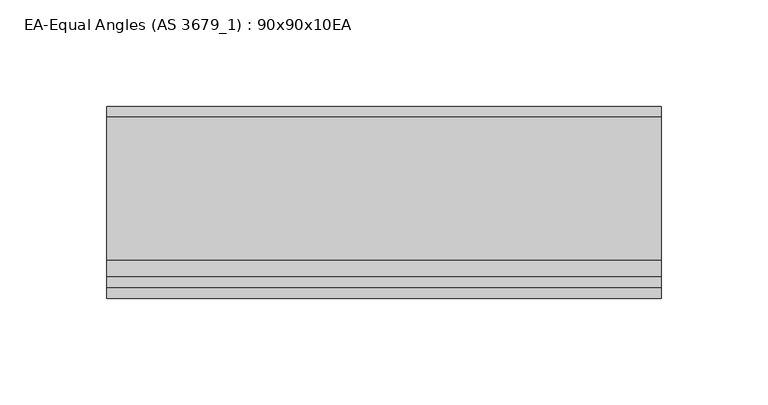
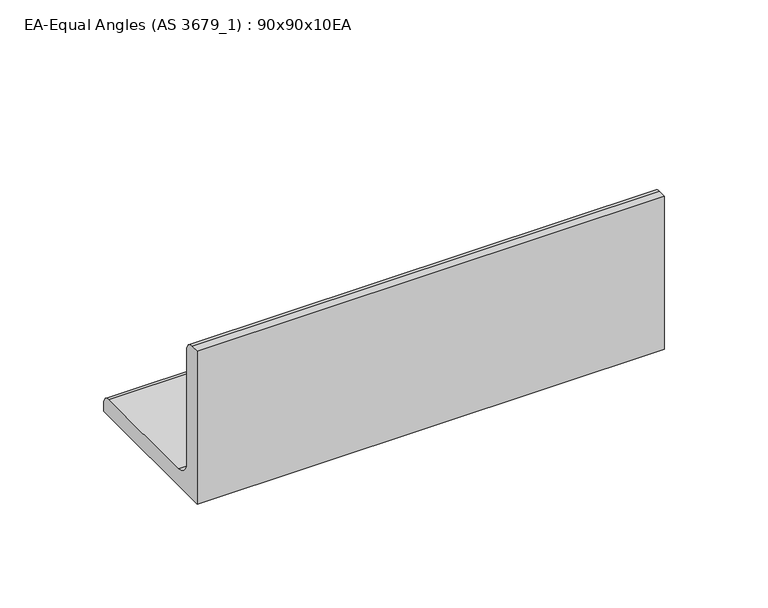
"""IFC4 building model written with IfcOpenShell, lengths in millimetres: beam geometry, EA-Equal Angles (AS 3679_1) : 90x90x10EA."""

from ifc_helpers import new_model, si_unit, point, frame, frame_2d, origin, place, context, project, spatial, polyline, circle_curve, trimmed, segment, composite_curve, outline, extrude, source, transform, mapped, element, save


def ea_equal_angles_as_3679_1_90x90x10ea_5befb178(model_context):
    return source(origin(), model_context, "Body", "SweptSolid", [
        extrude(outline(composite_curve([segment(polyline([(-25.7, -25.7), (-25.7, 64.3), (-20.7, 64.3)]), True, "CONTINUOUS"), segment(trimmed(circle_curve(frame_2d((-20.7, 59.3)), 5.0), [point((-20.7, 64.3))], [point((-15.7, 59.3))], False, "CARTESIAN"), True, "CONTINUOUS"), segment(polyline([(-15.7, 59.3), (-15.7, -7.7)]), True, "CONTINUOUS"), segment(trimmed(circle_curve(frame_2d((-7.7, -7.7)), 8.0), [point((-15.7, -7.7))], [point((-7.7, -15.7))], True, "CARTESIAN"), True, "CONTINUOUS"), segment(polyline([(-7.7, -15.7), (59.3, -15.7)]), True, "CONTINUOUS"), segment(trimmed(circle_curve(frame_2d((59.3, -20.7)), 5.0), [point((59.3, -15.7))], [point((64.3, -20.7))], False, "CARTESIAN"), True, "CONTINUOUS"), segment(polyline([(64.3, -20.7), (64.3, -25.7), (-25.7, -25.7)]), True, "CONTINUOUS")], self_intersect=False)), frame((-198.3, 0.0, 0.0), z_axis=(1.0, 0.0, 0.0), x_axis=(0.0, 1.0, 0.0)), (0.0, 0.0, 1.0), 260.1),
    ])


if __name__ == "__main__":
    model = new_model("IFC4")
    model_context = context("Model", 3, world=origin())
    ifc_project = project(units=[si_unit("LENGTHUNIT", "METRE", prefix="MILLI")], contexts=[model_context])
    site = spatial("IfcSite", under=ifc_project)
    building = spatial("IfcBuilding", under=site)
    placement = place(None, origin())
    ea_equal_angles_as_3679_1_90x90x10ea_shape = ea_equal_angles_as_3679_1_90x90x10ea_5befb178(model_context)
    element("IfcBeam", 1, ObjectType="EA-Equal Angles (AS 3679_1) : 90x90x10EA", at=placement, inside=building, context=model_context, shape_type="MappedRepresentation", body=[
        mapped(ea_equal_angles_as_3679_1_90x90x10ea_shape, transform((0.0, 0.0, 0.0), x_axis=(1.0, 0.0, 0.0), y_axis=(0.0, 1.0, 0.0), z_axis=(0.0, 0.0, 1.0))),
    ])
    save(model, "model.ifc")
